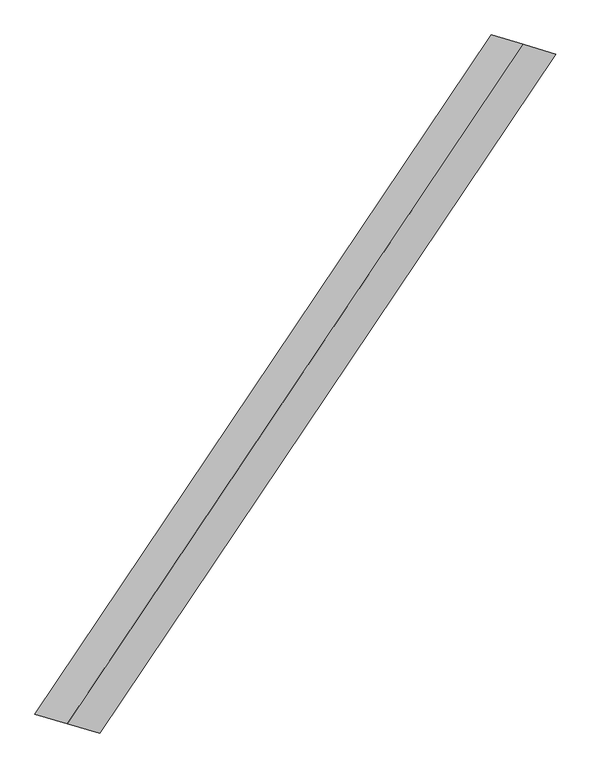
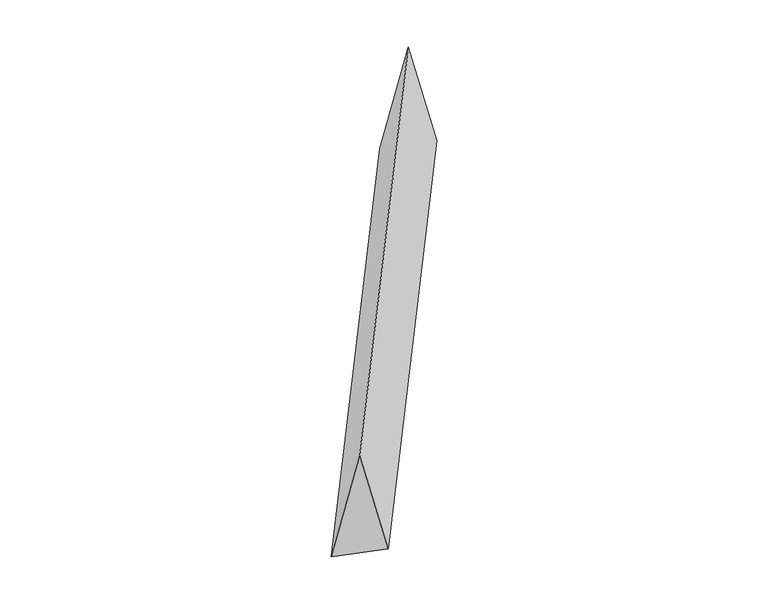
"""IFC4 building model written with IfcOpenShell, lengths in millimetres: proxy geometry."""

from ifc_helpers import new_model, si_unit, origin, place, context, project, spatial, faceted_brep, source, transform, mapped, element, save


def generic_models_d644377a(model_context):
    return source(origin(), model_context, "Body", "Brep", [
        faceted_brep([(-1169.1050738, -1740.1642615, 700.0), (-1003.4480138, -1789.076931, 0.0), (1334.7621337, 1691.251592, 0.0), (1169.1050738, 1740.1642615, 700.0), (-1334.7621337, -1691.251592, 0.0), (1003.4480138, 1789.076931, 0.0)], [[[0, 1, 2, 3]], [[1, 4, 5, 2]], [[4, 0, 3, 5]], [[3, 2, 5]], [[0, 4, 1]]]),
    ])


if __name__ == "__main__":
    model = new_model("IFC4")
    model_context = context("Model", 3, world=origin())
    ifc_project = project(units=[si_unit("LENGTHUNIT", "METRE", prefix="MILLI")], contexts=[model_context])
    site = spatial("IfcSite", under=ifc_project)
    building = spatial("IfcBuilding", under=site)
    placement = place(None, origin())
    generic_models_shape = generic_models_d644377a(model_context)
    element("IfcBuildingElementProxy", 1, Name="Generic Models", at=placement, inside=building, context=model_context, shape_type="MappedRepresentation", body=[
        mapped(generic_models_shape, transform((0.0, 0.0, 0.0), x_axis=(1.0, 0.0, 0.0), y_axis=(0.0, 1.0, 0.0), z_axis=(0.0, 0.0, 1.0))),
    ])
    save(model, "model.ifc")
